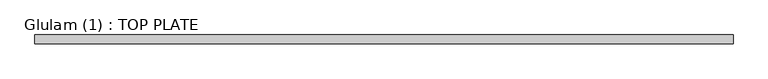
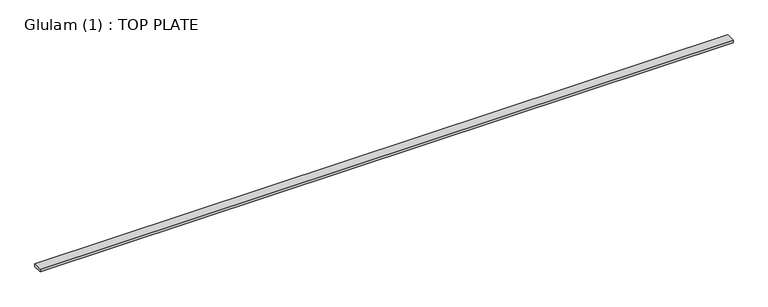
"""IFC4 building model written with IfcOpenShell, lengths in millimetres: beam geometry, Glulam (1) : TOP PLATE."""

from ifc_helpers import new_model, si_unit, frame, origin, place, context, project, spatial, polyline, outline, extrude, source, transform, mapped, element, save


def glulam_1_top_plate_98393937(model_context):
    return source(origin(), model_context, "Body", "SweptSolid", [
        extrude(outline(polyline([(5460.5, 70.0), (5460.5, -70.0), (-5460.5, -70.0), (-5460.5, 70.0), (5460.5, 70.0)])), frame((0.0, 0.0, -22.5), z_axis=(0.0, 0.0, 1.0), x_axis=(1.0, 0.0, 0.0)), (0.0, 0.0, 1.0), 45.0),
    ])


if __name__ == "__main__":
    model = new_model("IFC4")
    model_context = context("Model", 3, world=origin())
    ifc_project = project(units=[si_unit("LENGTHUNIT", "METRE", prefix="MILLI")], contexts=[model_context])
    site = spatial("IfcSite", under=ifc_project)
    building = spatial("IfcBuilding", under=site)
    placement = place(None, origin())
    glulam_1_top_plate_shape = glulam_1_top_plate_98393937(model_context)
    element("IfcBeam", 1, ObjectType="Glulam (1) : TOP PLATE", at=placement, inside=building, context=model_context, shape_type="MappedRepresentation", body=[
        mapped(glulam_1_top_plate_shape, transform((0.0, 0.0, 0.0), x_axis=(1.0, 0.0, 0.0), y_axis=(0.0, 1.0, 0.0), z_axis=(0.0, 0.0, 1.0))),
    ])
    save(model, "model.ifc")
